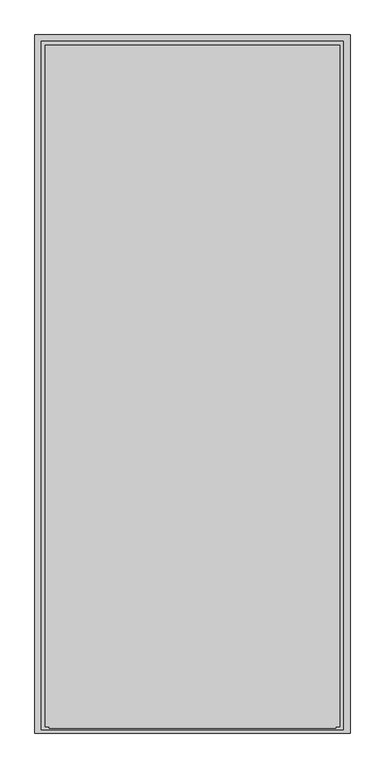
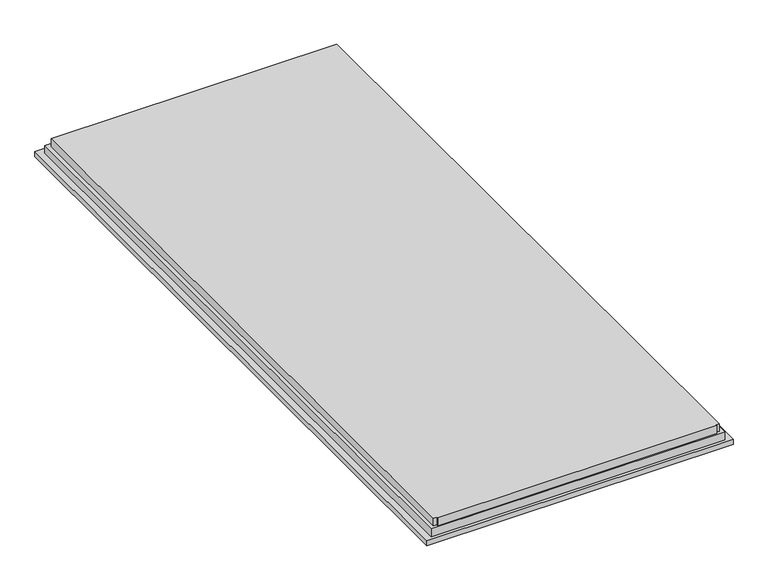
"""IFC4 building model written with IfcOpenShell, lengths in millimetres: proxy geometry."""

from ifc_helpers import new_model, si_unit, origin, place, context, project, spatial, faceted_brep, source, transform, mapped, element, save


def generic_models_61b87329(model_context):
    return source(origin(), model_context, "Body", "Brep", [
        faceted_brep([(1000.0, 2130.0, -68.0), (1000.0, 2130.0, -84.5), (40.0, 2130.0, -84.5), (40.0, 2130.0, -68.0), (1000.0, 3.0, -84.5), (40.0, 3.0, -84.5), (968.0, 22.0, -16.5), (968.0, 2098.0, -16.5), (72.0, 2098.0, -16.5), (72.0, 22.0, -16.5), (83.0, 22.0, -16.5), (83.0, 18.0, -16.5), (957.0, 18.0, -16.5), (957.0, 22.0, -16.5), (1000.0, 3.0, -68.0), (40.0, 3.0, -68.0), (980.0, 13.0, -68.0), (60.0, 13.0, -68.0), (60.0, 2110.0, -68.0), (980.0, 2110.0, -68.0), (980.0, 2110.0, -42.0), (980.0, 13.0, -42.0), (968.0, 2098.0, -42.0), (968.0, 22.0, -42.0), (60.0, 2110.0, -42.0), (60.0, 13.0, -42.0), (957.0, 22.0, -42.0), (957.0, 18.0, -42.0), (83.0, 18.0, -42.0), (83.0, 22.0, -42.0), (72.0, 22.0, -42.0), (72.0, 2098.0, -42.0)], [[[0, 1, 2, 3]], [[4, 5, 2, 1]], [[6, 7, 8, 9, 10, 11, 12, 13]], [[1, 0, 14, 4]], [[4, 14, 15, 5]], [[0, 3, 15, 14], [16, 17, 18, 19]], [[19, 20, 21, 16]], [[22, 7, 6, 23]], [[21, 20, 24, 25], [22, 23, 26, 27, 28, 29, 30, 31]], [[5, 15, 3, 2]], [[24, 18, 17, 25]], [[8, 31, 30, 9]], [[18, 24, 20, 19]], [[31, 8, 7, 22]], [[17, 16, 21, 25]], [[23, 6, 13, 26]], [[9, 30, 29, 10]], [[11, 10, 29, 28]], [[12, 11, 28, 27]], [[13, 12, 27, 26]]]),
    ])


if __name__ == "__main__":
    model = new_model("IFC4")
    model_context = context("Model", 3, world=origin())
    ifc_project = project(units=[si_unit("LENGTHUNIT", "METRE", prefix="MILLI")], contexts=[model_context])
    site = spatial("IfcSite", under=ifc_project)
    building = spatial("IfcBuilding", under=site)
    placement = place(None, origin())
    generic_models_shape = generic_models_61b87329(model_context)
    element("IfcBuildingElementProxy", 1, Name="Generic Models", at=placement, inside=building, context=model_context, shape_type="MappedRepresentation", body=[
        mapped(generic_models_shape, transform((0.0, 0.0, 0.0), x_axis=(1.0, 0.0, 0.0), y_axis=(0.0, 1.0, 0.0), z_axis=(0.0, 0.0, 1.0))),
    ])
    save(model, "model.ifc")
